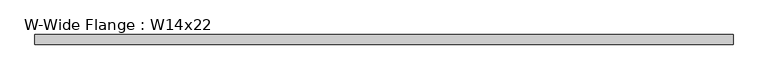
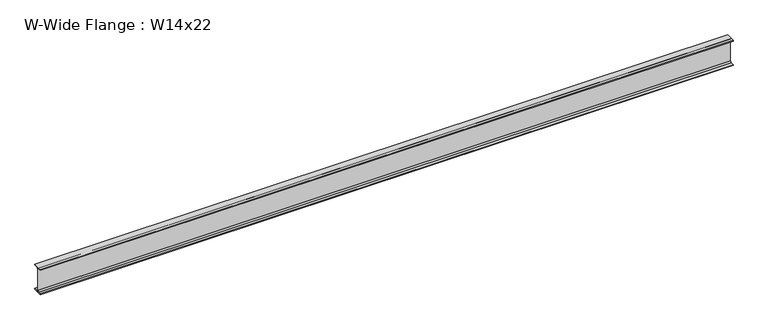
"""IFC4 building model written with IfcOpenShell, lengths in millimetres: beam geometry, W-Wide Flange : W14x22."""

from ifc_helpers import new_model, si_unit, point, frame, frame_2d, origin, place, context, project, spatial, polyline, circle_curve, trimmed, segment, composite_curve, outline, extrude, source, transform, mapped, element, save


def w_wide_flange_w14x22_0a2c8ba7(model_context):
    return source(origin(), model_context, "Body", "SweptSolid", [
        extrude(outline(composite_curve([segment(polyline([(63.5, -165.481), (63.5, -173.99), (-63.5, -173.99), (-63.5, -165.481), (-21.3995, -165.481)]), True, "CONTINUOUS"), segment(trimmed(circle_curve(frame_2d((-21.3995, -147.0025)), 18.4785), [point((-21.3995, -165.481))], [point((-2.921, -147.0025))], True, "CARTESIAN"), True, "CONTINUOUS"), segment(polyline([(-2.921, -147.0025), (-2.921, 147.0025)]), True, "CONTINUOUS"), segment(trimmed(circle_curve(frame_2d((-21.3995, 147.0025)), 18.4785), [point((-2.921, 147.0025))], [point((-21.3995, 165.481))], True, "CARTESIAN"), True, "CONTINUOUS"), segment(polyline([(-21.3995, 165.481), (-63.5, 165.481), (-63.5, 173.99), (63.5, 173.99), (63.5, 165.481), (21.3995, 165.481)]), True, "CONTINUOUS"), segment(trimmed(circle_curve(frame_2d((21.3995, 147.0025)), 18.4785), [point((21.3995, 165.481))], [point((2.921, 147.0025))], True, "CARTESIAN"), True, "CONTINUOUS"), segment(polyline([(2.921, 147.0025), (2.921, -147.0025)]), True, "CONTINUOUS"), segment(trimmed(circle_curve(frame_2d((21.3995, -147.0025)), 18.4785), [point((2.921, -147.0025))], [point((21.3995, -165.481))], True, "CARTESIAN"), True, "CONTINUOUS"), segment(polyline([(21.3995, -165.481), (63.5, -165.481)]), True, "CONTINUOUS")], self_intersect=False)), frame((-4608.32704, 0.0, 0.0), z_axis=(1.0, 0.0, 0.0), x_axis=(0.0, 1.0, 0.0)), (0.0, 0.0, 1.0), 9185.3404177),
    ])


if __name__ == "__main__":
    model = new_model("IFC4")
    model_context = context("Model", 3, world=origin())
    ifc_project = project(units=[si_unit("LENGTHUNIT", "METRE", prefix="MILLI")], contexts=[model_context])
    site = spatial("IfcSite", under=ifc_project)
    building = spatial("IfcBuilding", under=site)
    placement = place(None, origin())
    w_wide_flange_w14x22_shape = w_wide_flange_w14x22_0a2c8ba7(model_context)
    element("IfcBeam", 1, ObjectType="W-Wide Flange : W14x22", at=placement, inside=building, context=model_context, shape_type="MappedRepresentation", body=[
        mapped(w_wide_flange_w14x22_shape, transform((0.0, 0.0, 0.0), x_axis=(1.0, 0.0, 0.0), y_axis=(0.0, 1.0, 0.0), z_axis=(0.0, 0.0, 1.0))),
    ])
    save(model, "model.ifc")
